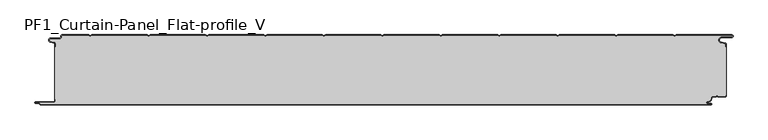
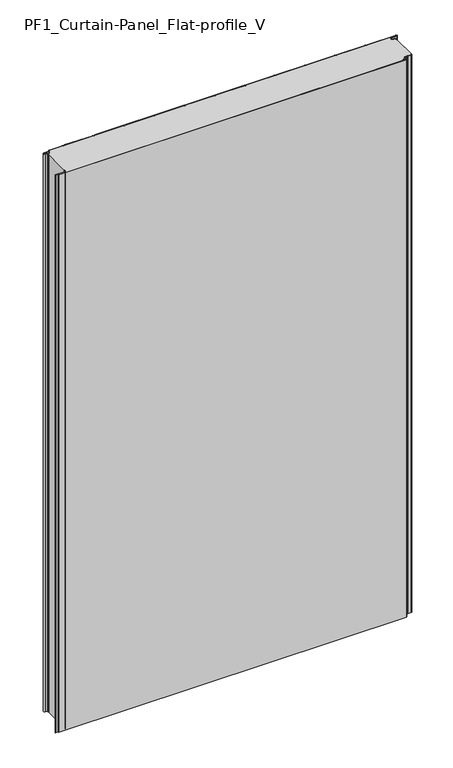
"""IFC4 building model written with IfcOpenShell, lengths in millimetres: plate geometry, PF1_Curtain-Panel_Flat-profile_V."""

from ifc_helpers import new_model, si_unit, point, frame_2d, origin, origin_with_axes, place, context, project, spatial, polyline, circle_curve, trimmed, segment, composite_curve, outline, extrude, source, transform, mapped, element, save


def pf1_curtain_panel_flat_profile_v_b582bc80(model_context):
    return source(origin(), model_context, "Body", "SweptSolid", [
        extrude(outline(composite_curve([segment(trimmed(circle_curve(frame_2d((-577.0, -15.878557)), 2.0), [point((-575.0, -15.878557))], [point((-576.5500978, -13.9298169))], True, "CARTESIAN"), True, "CONTINUOUS"), segment(polyline([(-576.5500978, -13.9298169), (-582.7098239, -12.507732)]), True, "CONTINUOUS"), segment(trimmed(circle_curve(frame_2d((-581.9, -9.0)), 3.6), [point((-582.7098239, -12.507732))], [point((-581.9, -5.4))], False, "CARTESIAN"), True, "CONTINUOUS"), segment(polyline([(-581.9, -5.4), (-566.4, -5.4)]), True, "CONTINUOUS"), segment(trimmed(circle_curve(frame_2d((-566.4, -3.4)), 2.0), [point((-566.4, -5.4))], [point((-564.4, -3.4))], True, "CARTESIAN"), True, "CONTINUOUS"), segment(polyline([(-564.4, -3.4), (-564.4, -2.0)]), True, "CONTINUOUS"), segment(trimmed(circle_curve(frame_2d((-562.4, -2.0)), 2.0), [point((-564.4, -2.0))], [point((-562.4, 0.0))], False, "CARTESIAN"), True, "CONTINUOUS"), segment(polyline([(-562.4, 0.0), (-517.0999995, 0.0), (-514.4, -1.5588455), (-511.7000005, 0.0), (-417.0999995, 0.0), (-414.4, -1.5588455), (-411.7000005, 0.0), (-317.0999995, 0.0), (-314.4, -1.5588455), (-311.7000005, 0.0), (-217.0999995, 0.0), (-214.4, -1.5588455), (-211.7000005, 0.0), (-117.0999995, 0.0), (-114.4, -1.5588455), (-111.7000005, 0.0), (-17.0999995, 0.0), (-14.4, -1.5588455), (-11.7000005, 0.0), (82.9000005, 0.0), (85.6, -1.5588455), (88.2999995, 0.0), (182.9000005, 0.0), (185.6, -1.5588455), (188.2999995, 0.0), (282.9000005, 0.0), (285.6, -1.5588455), (288.2999995, 0.0), (382.9000005, 0.0), (385.6, -1.5588455), (388.2999995, 0.0), (482.9000005, 0.0), (485.6, -1.5588455), (488.2999995, 0.0), (583.268846, 0.0)]), True, "CONTINUOUS"), segment(trimmed(circle_curve(frame_2d((583.268846, -2.5)), 2.5), [point((583.268846, 0.0))], [point((583.268846, -5.0))], False, "CARTESIAN"), True, "CONTINUOUS"), segment(polyline([(583.268846, -5.0), (566.268846, -5.0)]), True, "CONTINUOUS"), segment(trimmed(circle_curve(frame_2d((566.268846, -9.0)), 4.0), [point((566.268846, -5.0))], [point((565.574253, -12.939231))], True, "CARTESIAN"), True, "CONTINUOUS"), segment(polyline([(565.574253, -12.939231), (572.0203315, -14.0758491)]), True, "CONTINUOUS"), segment(trimmed(circle_curve(frame_2d((571.568846, -16.6363492)), 2.6), [point((572.0203315, -14.0758491))], [point((574.168846, -16.6363492))], False, "CARTESIAN"), True, "CONTINUOUS"), segment(polyline([(574.168846, -16.6363492), (574.168846, -20.0), (573.368846, -20.0), (573.368846, -16.6363492)]), True, "CONTINUOUS"), segment(trimmed(circle_curve(frame_2d((571.568846, -16.6363492)), 1.8), [point((573.368846, -16.6363492))], [point((571.8814129, -14.8636953))], True, "CARTESIAN"), True, "CONTINUOUS"), segment(polyline([(571.8814129, -14.8636953), (565.4353344, -13.7270772)]), True, "CONTINUOUS"), segment(trimmed(circle_curve(frame_2d((566.268846, -9.0)), 4.8), [point((565.4353344, -13.7270772))], [point((566.268846, -4.2))], False, "CARTESIAN"), True, "CONTINUOUS"), segment(polyline([(566.268846, -4.2), (583.268846, -4.2)]), True, "CONTINUOUS"), segment(trimmed(circle_curve(frame_2d((583.268846, -2.5)), 1.7), [point((583.268846, -4.2))], [point((583.268846, -0.8))], True, "CARTESIAN"), True, "CONTINUOUS"), segment(polyline([(583.268846, -0.8), (488.5143588, -0.8), (485.6, -2.482606), (482.6856412, -0.8), (388.5143588, -0.8), (385.6, -2.482606), (382.6856412, -0.8), (288.5143588, -0.8), (285.6, -2.482606), (282.6856412, -0.8), (188.5143588, -0.8), (185.6, -2.482606), (182.6856412, -0.8), (88.5143588, -0.8), (85.6, -2.482606), (82.6856412, -0.8), (-11.4856412, -0.8), (-14.4, -2.482606), (-17.3143588, -0.8), (-111.4856412, -0.8), (-114.4, -2.482606), (-117.3143588, -0.8), (-211.4856412, -0.8), (-214.4, -2.482606), (-217.3143588, -0.8), (-311.4856412, -0.8), (-314.4, -2.482606), (-317.3143588, -0.8), (-411.4856412, -0.8), (-414.4, -2.482606), (-417.3143588, -0.8), (-511.4856412, -0.8), (-514.4, -2.482606), (-517.3143588, -0.8), (-562.4, -0.8)]), True, "CONTINUOUS"), segment(trimmed(circle_curve(frame_2d((-562.4, -2.0)), 1.2), [point((-562.4, -0.8))], [point((-563.6, -2.0))], True, "CARTESIAN"), True, "CONTINUOUS"), segment(polyline([(-563.6, -2.0), (-563.6, -3.4)]), True, "CONTINUOUS"), segment(trimmed(circle_curve(frame_2d((-566.4, -3.4)), 2.8), [point((-563.6, -3.4))], [point((-566.4, -6.2))], False, "CARTESIAN"), True, "CONTINUOUS"), segment(polyline([(-566.4, -6.2), (-581.9, -6.2)]), True, "CONTINUOUS"), segment(trimmed(circle_curve(frame_2d((-581.9, -9.0)), 2.8), [point((-581.9, -6.2))], [point((-582.529863, -11.7282362))], True, "CARTESIAN"), True, "CONTINUOUS"), segment(polyline([(-582.529863, -11.7282362), (-576.370137, -13.150321)]), True, "CONTINUOUS"), segment(trimmed(circle_curve(frame_2d((-577.0, -15.878557)), 2.8), [point((-576.370137, -13.150321))], [point((-574.2, -15.878557))], False, "CARTESIAN"), True, "CONTINUOUS"), segment(polyline([(-574.2, -15.878557), (-574.2, -20.0), (-575.0, -20.0), (-575.0, -15.878557)]), True, "CONTINUOUS")], self_intersect=False)), origin_with_axes(), (0.0, 0.0, 1.0), 1945.7507136),
        extrude(outline(composite_curve([segment(polyline([(-574.2, -110.0), (-575.0, -110.0), (-575.0, -20.0), (-574.2, -20.0), (-574.2, -15.878557)]), True, "CONTINUOUS"), segment(trimmed(circle_curve(frame_2d((-577.0, -15.878557)), 2.8), [point((-574.2, -15.878557))], [point((-576.370137, -13.1503208))], True, "CARTESIAN"), True, "CONTINUOUS"), segment(polyline([(-576.370137, -13.1503208), (-582.529863, -11.7282362)]), True, "CONTINUOUS"), segment(trimmed(circle_curve(frame_2d((-581.9, -9.0)), 2.8), [point((-582.529863, -11.7282362))], [point((-581.9, -6.2))], False, "CARTESIAN"), True, "CONTINUOUS"), segment(polyline([(-581.9, -6.2), (-566.4, -6.2)]), True, "CONTINUOUS"), segment(trimmed(circle_curve(frame_2d((-566.4, -3.4)), 2.8), [point((-566.4, -6.2))], [point((-563.6, -3.4))], True, "CARTESIAN"), True, "CONTINUOUS"), segment(polyline([(-563.6, -3.4), (-563.6, -2.0)]), True, "CONTINUOUS"), segment(trimmed(circle_curve(frame_2d((-562.4, -2.0)), 1.2), [point((-563.6, -2.0))], [point((-562.4, -0.8))], False, "CARTESIAN"), True, "CONTINUOUS"), segment(polyline([(-562.4, -0.8), (-517.3143588, -0.8), (-514.4, -2.482606), (-511.4856412, -0.8), (-417.3143588, -0.8), (-414.4, -2.482606), (-411.4856412, -0.8), (-317.3143588, -0.8), (-314.4, -2.482606), (-311.4856412, -0.8), (-217.3143588, -0.8), (-214.4, -2.482606), (-211.4856412, -0.8), (-117.3143588, -0.8), (-114.4, -2.482606), (-111.4856412, -0.8), (-17.3143588, -0.8), (-14.4, -2.482606), (-11.4856412, -0.8), (82.6856412, -0.8), (85.6, -2.482606), (88.5143588, -0.8), (182.6856412, -0.8), (185.6, -2.482606), (188.5143588, -0.8), (282.6856412, -0.8), (285.6, -2.482606), (288.5143588, -0.8), (382.6856412, -0.8), (385.6, -2.482606), (388.5143588, -0.8), (482.6856412, -0.8), (485.6, -2.482606), (488.5143588, -0.8), (583.268846, -0.8)]), True, "CONTINUOUS"), segment(trimmed(circle_curve(frame_2d((583.268846, -2.5)), 1.7), [point((583.268846, -0.8))], [point((583.268846, -4.2))], False, "CARTESIAN"), True, "CONTINUOUS"), segment(polyline([(583.268846, -4.2), (566.268846, -4.2)]), True, "CONTINUOUS"), segment(trimmed(circle_curve(frame_2d((566.268846, -9.0)), 4.8), [point((566.268846, -4.2))], [point((565.4353344, -13.7270772))], True, "CARTESIAN"), True, "CONTINUOUS"), segment(polyline([(565.4353344, -13.7270772), (571.8814129, -14.8636953)]), True, "CONTINUOUS"), segment(trimmed(circle_curve(frame_2d((571.568846, -16.6363492)), 1.8), [point((571.8814129, -14.8636953))], [point((573.368846, -16.6363492))], False, "CARTESIAN"), True, "CONTINUOUS"), segment(polyline([(573.368846, -16.6363492), (573.368846, -20.0), (574.168846, -20.0), (574.168846, -103.0), (573.368846, -103.0), (573.368846, -104.4)]), True, "CONTINUOUS"), segment(trimmed(circle_curve(frame_2d((571.568846, -104.4)), 1.8), [point((573.368846, -104.4))], [point((571.568846, -106.2))], False, "CARTESIAN"), True, "CONTINUOUS"), segment(polyline([(571.568846, -106.2), (560.0002158, -106.2), (558.168846, -104.3686285), (556.3374762, -106.2), (550.168846, -106.2)]), True, "CONTINUOUS"), segment(trimmed(circle_curve(frame_2d((550.168846, -108.0)), 1.8), [point((550.168846, -106.2))], [point((548.368846, -108.0))], True, "CARTESIAN"), True, "CONTINUOUS"), segment(polyline([(548.368846, -108.0), (548.368846, -108.8276204)]), True, "CONTINUOUS"), segment(trimmed(circle_curve(frame_2d((542.9964664, -108.8276204)), 5.3723796), [point((548.368846, -108.8276204))], [point((542.9964664, -114.2))], False, "CARTESIAN"), True, "CONTINUOUS"), segment(polyline([(542.9964664, -114.2), (542.168846, -114.2)]), True, "CONTINUOUS"), segment(trimmed(circle_curve(frame_2d((542.168846, -116.4)), 2.2), [point((542.168846, -114.2))], [point((542.168846, -118.6))], True, "CARTESIAN"), True, "CONTINUOUS"), segment(polyline([(542.168846, -118.6), (548.0579973, -118.6)]), True, "CONTINUOUS"), segment(trimmed(circle_curve(frame_2d((548.0579973, -118.9)), 0.3), [point((548.0579973, -118.6))], [point((548.0579973, -119.2))], False, "CARTESIAN"), True, "CONTINUOUS"), segment(polyline([(548.0579973, -119.2), (-599.4, -119.2)]), True, "CONTINUOUS"), segment(trimmed(circle_curve(frame_2d((-599.4, -118.4)), 0.8), [point((-599.4, -119.2))], [point((-600.2, -118.4))], False, "CARTESIAN"), True, "CONTINUOUS"), segment(trimmed(circle_curve(frame_2d((-601.9, -118.6133333)), 1.7133333), [point((-600.2, -118.4))], [point((-601.9, -116.9))], True, "CARTESIAN"), True, "CONTINUOUS"), segment(polyline([(-601.9, -116.9), (-607.8700312, -116.9)]), True, "CONTINUOUS"), segment(trimmed(circle_curve(frame_2d((-607.8700312, -116.6)), 0.3), [point((-607.8700312, -116.9))], [point((-607.8700312, -116.3))], False, "CARTESIAN"), True, "CONTINUOUS"), segment(polyline([(-607.8700312, -116.3), (-577.0, -116.3)]), True, "CONTINUOUS"), segment(trimmed(circle_curve(frame_2d((-577.0, -113.5)), 2.8), [point((-577.0, -116.3))], [point((-574.2, -113.5))], True, "CARTESIAN"), True, "CONTINUOUS"), segment(polyline([(-574.2, -113.5), (-574.2, -110.0)]), True, "CONTINUOUS")], self_intersect=False)), origin_with_axes(), (0.0, 0.0, 1.0), 1945.7507136),
        extrude(outline(composite_curve([segment(polyline([(-575.0, -110.0), (-574.2, -110.0), (-574.2, -113.5)]), True, "CONTINUOUS"), segment(trimmed(circle_curve(frame_2d((-577.0, -113.5)), 2.8), [point((-574.2, -113.5))], [point((-577.0, -116.3))], False, "CARTESIAN"), True, "CONTINUOUS"), segment(polyline([(-577.0, -116.3), (-607.8700312, -116.3)]), True, "CONTINUOUS"), segment(trimmed(circle_curve(frame_2d((-607.8700312, -116.6)), 0.3), [point((-607.8700312, -116.3))], [point((-607.8700312, -116.9))], True, "CARTESIAN"), True, "CONTINUOUS"), segment(polyline([(-607.8700312, -116.9), (-601.9, -116.9)]), True, "CONTINUOUS"), segment(trimmed(circle_curve(frame_2d((-601.9, -118.6133333)), 1.7133333), [point((-601.9, -116.9))], [point((-600.2, -118.4))], False, "CARTESIAN"), True, "CONTINUOUS"), segment(trimmed(circle_curve(frame_2d((-599.4, -118.4)), 0.8), [point((-600.2, -118.4))], [point((-599.4, -119.2))], True, "CARTESIAN"), True, "CONTINUOUS"), segment(polyline([(-599.4, -119.2), (548.0579973, -119.2)]), True, "CONTINUOUS"), segment(trimmed(circle_curve(frame_2d((548.0579973, -118.9)), 0.3), [point((548.0579973, -119.2))], [point((548.0579973, -118.6))], True, "CARTESIAN"), True, "CONTINUOUS"), segment(polyline([(548.0579973, -118.6), (542.168846, -118.6)]), True, "CONTINUOUS"), segment(trimmed(circle_curve(frame_2d((542.168846, -116.4)), 2.2), [point((542.168846, -118.6))], [point((542.168846, -114.2))], False, "CARTESIAN"), True, "CONTINUOUS"), segment(polyline([(542.168846, -114.2), (542.9964664, -114.2)]), True, "CONTINUOUS"), segment(trimmed(circle_curve(frame_2d((542.9964664, -108.8276204)), 5.3723796), [point((542.9964664, -114.2))], [point((548.368846, -108.8276204))], True, "CARTESIAN"), True, "CONTINUOUS"), segment(polyline([(548.368846, -108.8276204), (548.368846, -108.0)]), True, "CONTINUOUS"), segment(trimmed(circle_curve(frame_2d((550.168846, -108.0)), 1.8), [point((548.368846, -108.0))], [point((550.168846, -106.2))], False, "CARTESIAN"), True, "CONTINUOUS"), segment(polyline([(550.168846, -106.2), (556.3374762, -106.2), (558.168846, -104.3686285), (560.0002158, -106.2), (571.568846, -106.2)]), True, "CONTINUOUS"), segment(trimmed(circle_curve(frame_2d((571.568846, -104.4)), 1.8), [point((571.568846, -106.2))], [point((573.368846, -104.4))], True, "CARTESIAN"), True, "CONTINUOUS"), segment(polyline([(573.368846, -104.4), (573.368846, -103.0), (574.168846, -103.0), (574.168846, -104.4)]), True, "CONTINUOUS"), segment(trimmed(circle_curve(frame_2d((571.568846, -104.4)), 2.6), [point((574.168846, -104.4))], [point((571.568846, -107.0))], False, "CARTESIAN"), True, "CONTINUOUS"), segment(polyline([(571.568846, -107.0), (559.6688448, -107.0), (558.168846, -105.4999999), (556.6688472, -107.0), (550.168846, -107.0)]), True, "CONTINUOUS"), segment(trimmed(circle_curve(frame_2d((550.168846, -108.0)), 1.0), [point((550.168846, -107.0))], [point((549.168846, -108.0))], True, "CARTESIAN"), True, "CONTINUOUS"), segment(polyline([(549.168846, -108.0), (549.168846, -108.8276204)]), True, "CONTINUOUS"), segment(trimmed(circle_curve(frame_2d((542.9964664, -108.8276204)), 6.1723796), [point((549.168846, -108.8276204))], [point((542.9964664, -115.0))], False, "CARTESIAN"), True, "CONTINUOUS"), segment(polyline([(542.9964664, -115.0), (542.168846, -115.0)]), True, "CONTINUOUS"), segment(trimmed(circle_curve(frame_2d((542.168846, -116.5)), 1.5), [point((542.168846, -115.0))], [point((542.168846, -118.0))], True, "CARTESIAN"), True, "CONTINUOUS"), segment(polyline([(542.168846, -118.0), (548.168846, -118.0)]), True, "CONTINUOUS"), segment(trimmed(circle_curve(frame_2d((548.168846, -119.0)), 1.0), [point((548.168846, -118.0))], [point((548.168846, -120.0))], False, "CARTESIAN"), True, "CONTINUOUS"), segment(polyline([(548.168846, -120.0), (-599.4, -120.0)]), True, "CONTINUOUS"), segment(trimmed(circle_curve(frame_2d((-599.4, -118.4)), 1.6), [point((-599.4, -120.0))], [point((-601.0, -118.4))], False, "CARTESIAN"), True, "CONTINUOUS"), segment(trimmed(circle_curve(frame_2d((-601.9, -118.4)), 0.9), [point((-601.0, -118.4))], [point((-601.9, -117.5))], True, "CARTESIAN"), True, "CONTINUOUS"), segment(polyline([(-601.9, -117.5), (-608.0, -117.5)]), True, "CONTINUOUS"), segment(trimmed(circle_curve(frame_2d((-608.0, -116.5)), 1.0), [point((-608.0, -117.5))], [point((-608.0, -115.5))], False, "CARTESIAN"), True, "CONTINUOUS"), segment(polyline([(-608.0, -115.5), (-577.0, -115.5)]), True, "CONTINUOUS"), segment(trimmed(circle_curve(frame_2d((-577.0, -113.5)), 2.0), [point((-577.0, -115.5))], [point((-575.0, -113.5))], True, "CARTESIAN"), True, "CONTINUOUS"), segment(polyline([(-575.0, -113.5), (-575.0, -110.0)]), True, "CONTINUOUS")], self_intersect=False)), origin_with_axes(), (0.0, 0.0, 1.0), 1945.7507136),
    ])


if __name__ == "__main__":
    model = new_model("IFC4")
    model_context = context("Model", 3, world=origin())
    ifc_project = project(units=[si_unit("LENGTHUNIT", "METRE", prefix="MILLI")], contexts=[model_context])
    site = spatial("IfcSite", under=ifc_project)
    building = spatial("IfcBuilding", under=site)
    placement = place(None, origin())
    pf1_curtain_panel_flat_profile_v_shape = pf1_curtain_panel_flat_profile_v_b582bc80(model_context)
    element("IfcPlate", 1, ObjectType="PF1_Curtain-Panel_Flat-profile_V", at=placement, inside=building, context=model_context, shape_type="MappedRepresentation", body=[
        mapped(pf1_curtain_panel_flat_profile_v_shape, transform((0.0, 0.0, 0.0), x_axis=(1.0, 0.0, 0.0), y_axis=(0.0, 1.0, 0.0), z_axis=(0.0, 0.0, 1.0))),
    ])
    save(model, "model.ifc")
